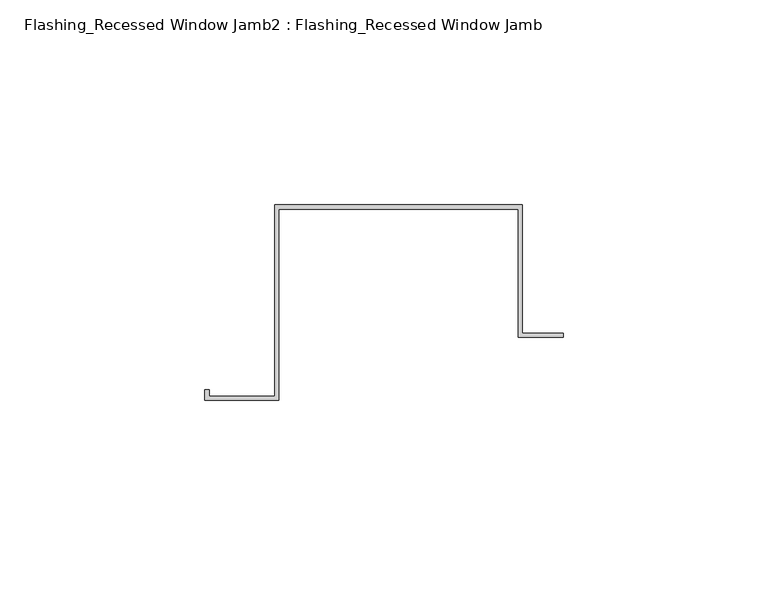
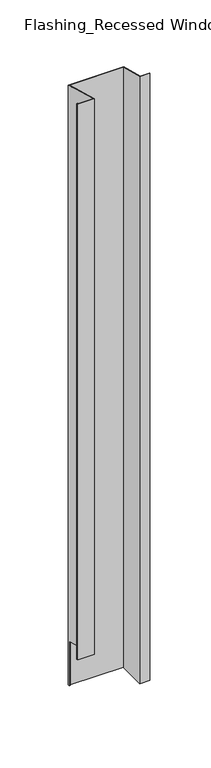
"""IFC4 building model written with IfcOpenShell, lengths in millimetres: proxy geometry, Flashing_Recessed Window Jamb2 : Flashing_Recessed Window Jamb."""

from ifc_helpers import new_model, si_unit, origin, place, context, project, spatial, faceted_brep, source, transform, mapped, element, save


def flashing_recessed_window_jamb2_flashing_recessed_window_jamb_4164510f(model_context):
    return source(origin(), model_context, "Body", "Brep", [
        faceted_brep([(9685.8470781, 626.4023812, -1036.7382524), (9685.8470781, 657.7344915, -1036.7382524), (9627.4791786, 657.7344915, -1036.7382524), (9627.4791786, 656.8026399, -1036.7382524), (9626.4791786, 656.8026399, -1036.7382524), (9626.4791786, 658.7344915, -1036.7382524), (9686.8470781, 658.7344915, -1036.7382524), (9686.8470781, 627.4023812, -1036.7382524), (9696.8470781, 627.4023812, -1036.7382524), (9696.8470781, 626.4023812, -1036.7382524), (9686.8470781, 658.7344915, -343.2151173), (9686.8470781, 627.4023812, -334.8197037), (9626.4791786, 658.7344915, -343.2151173), (9626.4791786, 656.8026399, -985.662203), (9626.4791786, 612.0490096, -973.6705039), (9626.4791786, 612.0490096, -330.7057801), (9610.4479286, 612.0490096, -330.7057801), (9610.4479286, 612.0490096, -973.6705039), (9610.4479286, 613.5934881, -331.1196219), (9610.4479286, 613.5934881, -974.0843457), (9609.4479286, 613.5934881, -331.1196219), (9609.4479286, 613.5934881, -974.0843457), (9609.4479286, 611.0490096, -330.4378309), (9609.4479286, 611.0490096, -973.4025548), (9627.4791786, 611.0490096, -330.4378309), (9627.4791786, 611.0490096, -973.4025548), (9627.4791786, 657.7344915, -342.9471681), (9627.4791786, 656.8026399, -985.662203), (9685.8470781, 657.7344915, -342.9471681), (9685.8470781, 626.4023812, -334.5517545), (9696.8470781, 626.4023812, -334.5517545), (9696.8470781, 627.4023812, -334.8197037)], [[[0, 1, 2, 3, 4, 5, 6, 7, 8, 9]], [[7, 6, 10, 11]], [[6, 5, 12, 10]], [[12, 5, 4, 13, 14, 15]], [[16, 15, 14, 17]], [[18, 16, 17, 19]], [[20, 18, 19, 21]], [[22, 20, 21, 23]], [[24, 22, 23, 25]], [[2, 26, 24, 25, 27, 3]], [[2, 1, 28, 26]], [[1, 0, 29, 28]], [[0, 9, 30, 29]], [[9, 8, 31, 30]], [[8, 7, 11, 31]], [[11, 10, 12, 15, 16, 18, 20, 22, 24, 26, 28, 29, 30, 31]], [[13, 27, 25, 23, 21, 19, 17, 14]], [[27, 13, 4, 3]]]),
    ])


if __name__ == "__main__":
    model = new_model("IFC4")
    model_context = context("Model", 3, world=origin())
    ifc_project = project(units=[si_unit("LENGTHUNIT", "METRE", prefix="MILLI")], contexts=[model_context])
    site = spatial("IfcSite", under=ifc_project)
    building = spatial("IfcBuilding", under=site)
    placement = place(None, origin())
    flashing_recessed_window_jamb2_flashing_recessed_window_jamb_shape = flashing_recessed_window_jamb2_flashing_recessed_window_jamb_4164510f(model_context)
    element("IfcBuildingElementProxy", 1, Name="Flashing_Recessed Window Jamb2 : Flashing_Recessed Window Jamb", ObjectType="Flashing_Recessed Window Jamb2 : Flashing_Recessed Window Jamb", at=placement, inside=building, context=model_context, shape_type="MappedRepresentation", body=[
        mapped(flashing_recessed_window_jamb2_flashing_recessed_window_jamb_shape, transform((0.0, 0.0, 0.0), x_axis=(1.0, 0.0, 0.0), y_axis=(0.0, 1.0, 0.0), z_axis=(0.0, 0.0, 1.0))),
    ])
    save(model, "model.ifc")
